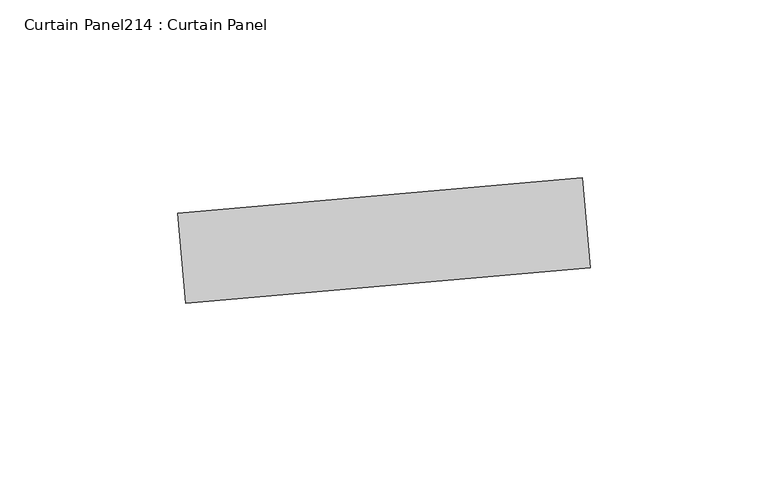
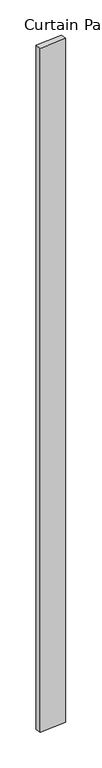
"""IFC4 building model written with IfcOpenShell, lengths in millimetres: plate geometry, Curtain Panel214 : Curtain Panel."""

from ifc_helpers import new_model, si_unit, frame, origin, place, context, project, spatial, polyline, outline, extrude, source, transform, mapped, element, save


def curtain_panel214_curtain_panel_28102d19(model_context):
    return source(origin(), model_context, "Body", "SweptSolid", [
        extrude(outline(polyline([(622373.7556836, 2442.2077139), (622259.8906296, 2432.2458125), (622257.6768737, 2457.5491578), (622371.5419277, 2467.5110592), (622373.7556836, 2442.2077139)])), frame((0.0, 0.0, 4959.7989371), z_axis=(0.0, 0.0, 1.0), x_axis=(1.0, 0.0, 0.0)), (0.0, 0.0, 1.0), 3048.0),
    ])


if __name__ == "__main__":
    model = new_model("IFC4")
    model_context = context("Model", 3, world=origin())
    ifc_project = project(units=[si_unit("LENGTHUNIT", "METRE", prefix="MILLI")], contexts=[model_context])
    site = spatial("IfcSite", under=ifc_project)
    building = spatial("IfcBuilding", under=site)
    placement = place(None, origin())
    curtain_panel214_curtain_panel_shape = curtain_panel214_curtain_panel_28102d19(model_context)
    element("IfcPlate", 1, ObjectType="Curtain Panel214 : Curtain Panel", at=placement, inside=building, context=model_context, shape_type="MappedRepresentation", body=[
        mapped(curtain_panel214_curtain_panel_shape, transform((0.0, 0.0, 0.0), x_axis=(1.0, 0.0, 0.0), y_axis=(0.0, 1.0, 0.0), z_axis=(0.0, 0.0, 1.0))),
    ])
    save(model, "model.ifc")
